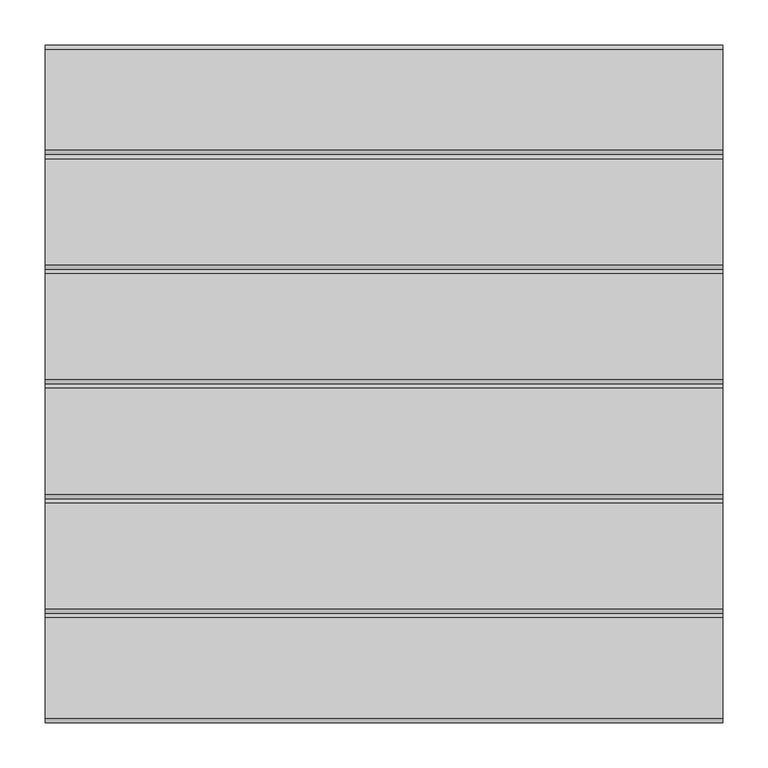
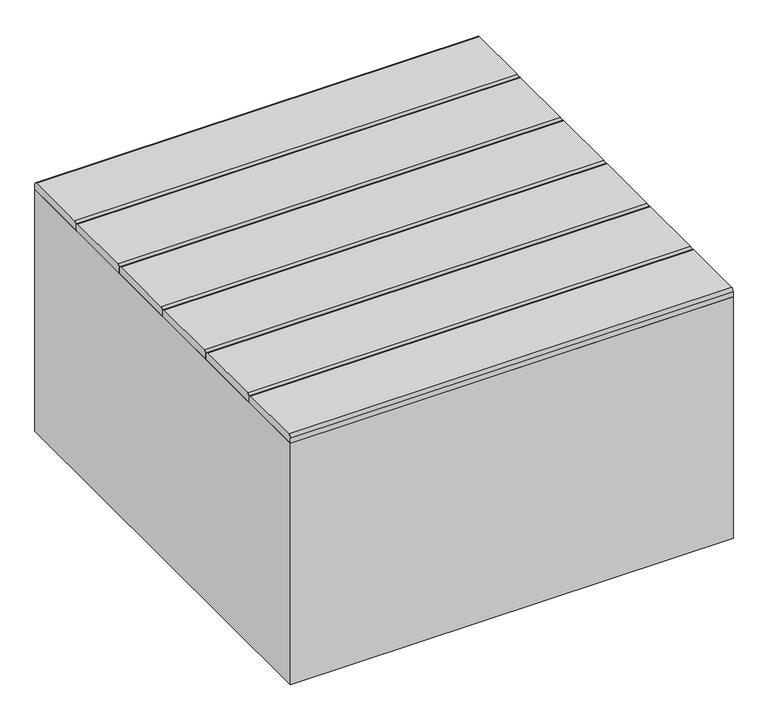
"""IFC4 building model written with IfcOpenShell, lengths in millimetres: furniture geometry."""

from ifc_helpers import new_model, si_unit, point, frame, frame_2d, origin, origin_with_axes, place, context, project, spatial, polyline, circle_curve, trimmed, segment, composite_curve, outline, extrude, source, transform, mapped, element, save


def furniture_b98ff473(model_context):
    return source(origin(), model_context, "Body", "SweptSolid", [
        extrude(outline(composite_curve([segment(polyline([(132.0, 447.0), (249.0, 447.0)]), True, "CONTINUOUS"), segment(trimmed(circle_curve(frame_2d((249.0, 442.0)), 5.0), [point((249.0, 447.0))], [point((254.0, 442.0))], False, "CARTESIAN"), True, "CONTINUOUS"), segment(polyline([(254.0, 442.0), (254.0, 433.0), (127.0, 433.0), (127.0, 442.0)]), True, "CONTINUOUS"), segment(trimmed(circle_curve(frame_2d((132.0, 442.0)), 5.0), [point((127.0, 442.0))], [point((132.0, 447.0))], False, "CARTESIAN"), True, "CONTINUOUS")], self_intersect=False)), frame((-375.0, 0.0, 0.0), z_axis=(1.0, 0.0, 0.0), x_axis=(0.0, 1.0, 0.0)), (0.0, 0.0, 1.0), 750.0),
        extrude(outline(composite_curve([segment(polyline([(-122.0, 447.0), (-5.0, 447.0)]), True, "CONTINUOUS"), segment(trimmed(circle_curve(frame_2d((-5.0, 442.0)), 5.0), [point((-5.0, 447.0))], [point((0.0, 442.0))], False, "CARTESIAN"), True, "CONTINUOUS"), segment(polyline([(0.0, 442.0), (0.0, 433.0), (-127.0, 433.0), (-127.0, 442.0)]), True, "CONTINUOUS"), segment(trimmed(circle_curve(frame_2d((-122.0, 442.0)), 5.0), [point((-127.0, 442.0))], [point((-122.0, 447.0))], False, "CARTESIAN"), True, "CONTINUOUS")], self_intersect=False)), frame((-375.0, 0.0, 0.0), z_axis=(1.0, 0.0, 0.0), x_axis=(0.0, 1.0, 0.0)), (0.0, 0.0, 1.0), 750.0),
        extrude(outline(composite_curve([segment(polyline([(-370.0, 447.0), (-259.0, 447.0)]), True, "CONTINUOUS"), segment(trimmed(circle_curve(frame_2d((-259.0, 442.0)), 5.0), [point((-259.0, 447.0))], [point((-254.0, 442.0))], False, "CARTESIAN"), True, "CONTINUOUS"), segment(polyline([(-254.0, 442.0), (-254.0, 433.0), (-375.0, 433.0), (-375.0, 442.0)]), True, "CONTINUOUS"), segment(trimmed(circle_curve(frame_2d((-370.0, 442.0)), 5.0), [point((-375.0, 442.0))], [point((-370.0, 447.0))], False, "CARTESIAN"), True, "CONTINUOUS")], self_intersect=False)), frame((-375.0, 0.0, 0.0), z_axis=(1.0, 0.0, 0.0), x_axis=(0.0, 1.0, 0.0)), (0.0, 0.0, 1.0), 750.0),
        extrude(outline(composite_curve([segment(polyline([(259.0, 447.0), (370.0, 447.0)]), True, "CONTINUOUS"), segment(trimmed(circle_curve(frame_2d((370.0, 442.0)), 5.0), [point((370.0, 447.0))], [point((375.0, 442.0))], False, "CARTESIAN"), True, "CONTINUOUS"), segment(polyline([(375.0, 442.0), (375.0, 433.0), (254.0, 433.0), (254.0, 442.0)]), True, "CONTINUOUS"), segment(trimmed(circle_curve(frame_2d((259.0, 442.0)), 5.0), [point((254.0, 442.0))], [point((259.0, 447.0))], False, "CARTESIAN"), True, "CONTINUOUS")], self_intersect=False)), frame((-375.0, 0.0, 0.0), z_axis=(1.0, 0.0, 0.0), x_axis=(0.0, 1.0, 0.0)), (0.0, 0.0, 1.0), 750.0),
        extrude(outline(composite_curve([segment(polyline([(5.0, 447.0), (122.0, 447.0)]), True, "CONTINUOUS"), segment(trimmed(circle_curve(frame_2d((122.0, 442.0)), 5.0), [point((122.0, 447.0))], [point((127.0, 442.0))], False, "CARTESIAN"), True, "CONTINUOUS"), segment(polyline([(127.0, 442.0), (127.0, 433.0), (0.0, 433.0), (0.0, 442.0)]), True, "CONTINUOUS"), segment(trimmed(circle_curve(frame_2d((5.0, 442.0)), 5.0), [point((0.0, 442.0))], [point((5.0, 447.0))], False, "CARTESIAN"), True, "CONTINUOUS")], self_intersect=False)), frame((-375.0, 0.0, 0.0), z_axis=(1.0, 0.0, 0.0), x_axis=(0.0, 1.0, 0.0)), (0.0, 0.0, 1.0), 750.0),
        extrude(outline(composite_curve([segment(polyline([(-249.0, 447.0), (-132.0, 447.0)]), True, "CONTINUOUS"), segment(trimmed(circle_curve(frame_2d((-132.0, 442.0)), 5.0), [point((-132.0, 447.0))], [point((-127.0, 442.0))], False, "CARTESIAN"), True, "CONTINUOUS"), segment(polyline([(-127.0, 442.0), (-127.0, 433.0), (-254.0, 433.0), (-254.0, 442.0)]), True, "CONTINUOUS"), segment(trimmed(circle_curve(frame_2d((-249.0, 442.0)), 5.0), [point((-254.0, 442.0))], [point((-249.0, 447.0))], False, "CARTESIAN"), True, "CONTINUOUS")], self_intersect=False)), frame((-375.0, 0.0, 0.0), z_axis=(1.0, 0.0, 0.0), x_axis=(0.0, 1.0, 0.0)), (0.0, 0.0, 1.0), 750.0),
        extrude(outline(polyline([(375.0, -375.0), (-375.0, -375.0), (-375.0, 375.0), (375.0, 375.0), (375.0, -375.0)]), holes=[polyline([(336.0, -336.0), (336.0, 336.0), (-336.0, 336.0), (-336.0, -336.0), (336.0, -336.0)])]), origin_with_axes(), (0.0, 0.0, 1.0), 433.0),
    ])


if __name__ == "__main__":
    model = new_model("IFC4")
    model_context = context("Model", 3, world=origin())
    ifc_project = project(units=[si_unit("LENGTHUNIT", "METRE", prefix="MILLI")], contexts=[model_context])
    site = spatial("IfcSite", under=ifc_project)
    building = spatial("IfcBuilding", under=site)
    placement = place(None, origin())
    furniture_shape = furniture_b98ff473(model_context)
    element("IfcFurniture", 1, at=placement, inside=building, context=model_context, shape_type="MappedRepresentation", body=[
        mapped(furniture_shape, transform((0.0, 0.0, 0.0), x_axis=(1.0, 0.0, 0.0), y_axis=(0.0, 1.0, 0.0), z_axis=(0.0, 0.0, 1.0))),
    ])
    save(model, "model.ifc")
